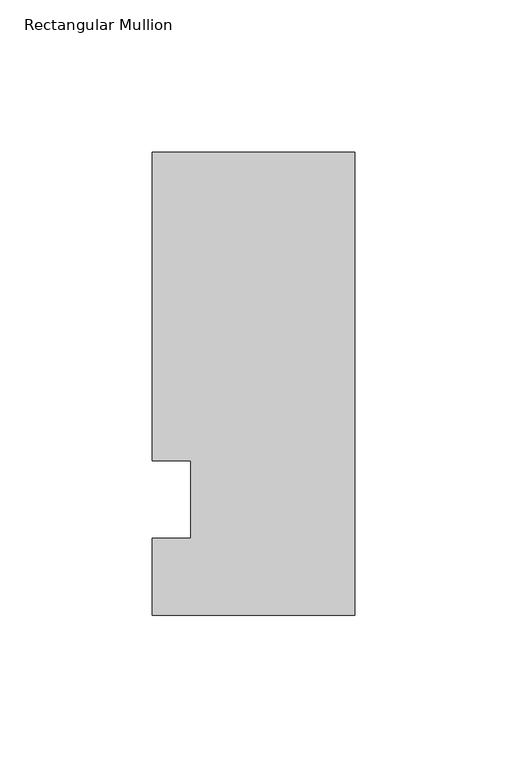
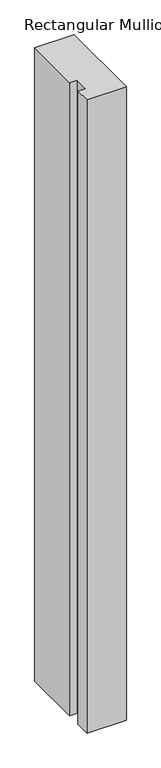
"""IFC4 building model written with IfcOpenShell, lengths in millimetres: member geometry, Rectangular Mullion."""

from ifc_helpers import new_model, si_unit, frame, origin, place, context, project, spatial, polyline, outline, extrude, source, transform, mapped, element, save


def rectangular_mullion_2a1ffc06(model_context):
    return source(origin(), model_context, "Body", "SweptSolid", [
        extrude(outline(polyline([(-66.675, 114.3), (0.0, 114.3), (0.0, -38.1), (-66.675, -38.1), (-66.675, -12.7), (-53.9732296, -12.7), (-53.9732296, 12.7), (-66.675, 12.7), (-66.675, 114.3)])), frame((0.0, 0.0, -1130.3), z_axis=(0.0, 0.0, 1.0), x_axis=(1.0, 0.0, 0.0)), (0.0, 0.0, 1.0), 1130.3),
    ])


if __name__ == "__main__":
    model = new_model("IFC4")
    model_context = context("Model", 3, world=origin())
    ifc_project = project(units=[si_unit("LENGTHUNIT", "METRE", prefix="MILLI")], contexts=[model_context])
    site = spatial("IfcSite", under=ifc_project)
    building = spatial("IfcBuilding", under=site)
    placement = place(None, origin())
    rectangular_mullion_shape = rectangular_mullion_2a1ffc06(model_context)
    element("IfcMember", 1, ObjectType="Rectangular Mullion", at=placement, inside=building, context=model_context, shape_type="MappedRepresentation", body=[
        mapped(rectangular_mullion_shape, transform((0.0, 0.0, 0.0), x_axis=(1.0, 0.0, 0.0), y_axis=(0.0, 1.0, 0.0), z_axis=(0.0, 0.0, 1.0))),
    ])
    save(model, "model.ifc")
